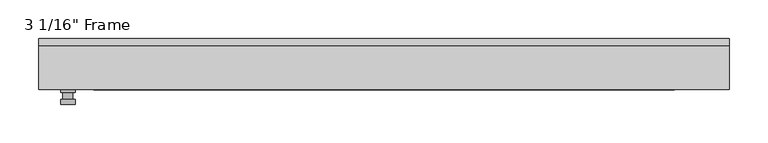
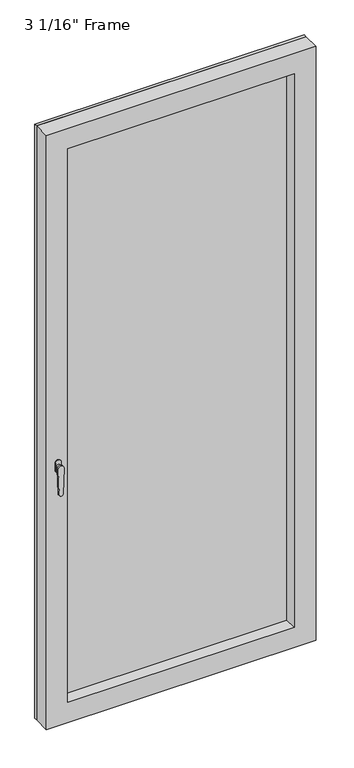
"""IFC4 building model written with IfcOpenShell, lengths in millimetres: plate geometry."""

import ifcopenshell
import ifcopenshell.guid

model = None  # the IFC model being written
_history = None  # IfcOwnerHistory: only IFC2X3 demands one
_inside = {}  # id of a spatial element -> (the spatial element, [elements in it])
_under = {}  # id of a project, library or spatial element -> (it, [spatial elements below it])
_declared = {}  # id of a project -> (the project, [libraries it declares])
_typed = {}  # id of a type object -> (the type object, [elements of that type])
_made_of = {}  # id of a material, layer set ... -> (it, [elements and type objects made of it])


def new_model(schema):
    """Start an empty IFC model of exactly this schema.

    Asked for "IFC4X3", IfcOpenShell would pick the latest addendum, in which some entities
    have other attributes; the version numbers below select the first issue.
    IFC2X3 requires an IfcOwnerHistory on every rooted entity: one is made here for all.
    """
    global model, _history
    if schema == "IFC4X3":
        model = ifcopenshell.file(schema_version=(4, 3, 0, 0))
    else:
        model = ifcopenshell.file(schema=schema)
    _inside.clear()
    _under.clear()
    _declared.clear()
    _typed.clear()
    _made_of.clear()
    _history = None
    if model.schema == "IFC2X3":
        org = make("IfcOrganization", Name="unknown")
        user = make(
            "IfcPersonAndOrganization",
            ThePerson=make("IfcPerson", FamilyName="unknown"),
            TheOrganization=org,
        )
        app = make(
            "IfcApplication",
            ApplicationDeveloper=org,
            Version="unknown",
            ApplicationFullName="unknown",
            ApplicationIdentifier="unknown",
        )
        _history = make(
            "IfcOwnerHistory",
            OwningUser=user,
            OwningApplication=app,
            ChangeAction="ADDED",
            CreationDate=0,
        )
    return model


def make(cls, **values):
    """One entity of the class cls with the attributes given. An attribute that is None is left unset."""
    return model.create_entity(
        cls, **{name: value for name, value in values.items() if value is not None}
    )


def rooted(cls, **values):
    """An entity with a GlobalId (a new one), such as an element, a storey or a relation."""
    return make(cls, GlobalId=ifcopenshell.guid.new(), OwnerHistory=_history, **values)


def si_unit(unit_type, name, prefix=None):
    """IfcSIUnit, for example si_unit("LENGTHUNIT", "METRE", prefix="MILLI")."""
    return make("IfcSIUnit", UnitType=unit_type, Prefix=prefix, Name=name)


def assignment(units):
    """IfcUnitAssignment: the units of a project."""
    return None if units is None else make("IfcUnitAssignment", Units=units)


def point(xyz):
    """IfcCartesianPoint."""
    return None if xyz is None else make("IfcCartesianPoint", Coordinates=xyz)


def direction(xyz):
    """IfcDirection."""
    return None if xyz is None else make("IfcDirection", DirectionRatios=xyz)


def frame(location, z_axis=None, x_axis=None):
    """IfcAxis2Placement3D, a coordinate frame: its origin and axes. An axis left out is left unset."""
    return make(
        "IfcAxis2Placement3D",
        Location=point(location),
        Axis=direction(z_axis),
        RefDirection=direction(x_axis),
    )


def origin():
    """The frame at (0, 0, 0) with its axes left unset."""
    return frame((0.0, 0.0, 0.0))


def place(relative_to, where):
    """IfcLocalPlacement: puts the frame where relative to a parent placement (None: the world)."""
    return make(
        "IfcLocalPlacement", PlacementRelTo=relative_to, RelativePlacement=where
    )


def context(
    kind, dimensions, precision=None, world=None, true_north=None, identifier=None
):
    """IfcGeometricRepresentationContext, for example the 3D "Model" context."""
    return make(
        "IfcGeometricRepresentationContext",
        ContextIdentifier=identifier,
        ContextType=kind,
        CoordinateSpaceDimension=dimensions,
        Precision=precision,
        WorldCoordinateSystem=world,
        TrueNorth=true_north,
    )


def project(units=None, contexts=None):
    """IfcProject with its units and contexts."""
    return rooted(
        "IfcProject",
        Name="project",
        RepresentationContexts=contexts,
        UnitsInContext=assignment(units),
    )


def spatial(cls, under=None, at=None, **own):
    """A site, building, storey or space (cls), placed at a placement, below another one or the project."""
    s = rooted(cls, ObjectPlacement=at, **own)
    if under is not None:
        _under.setdefault(under.id(), (under, []))[1].append(s)
    return s


def polyline(points):
    """IfcPolyline through the points."""
    return make("IfcPolyline", Points=[point(p) for p in points])


def circle_curve(where, radius):
    """IfcCircle in the frame where."""
    return make("IfcCircle", Position=where, Radius=radius)


def outline(outer, holes=None, kind="AREA"):
    """IfcArbitraryClosedProfileDef: a profile drawn as a closed curve; with holes, ...WithVoids."""
    if holes is None:
        return make("IfcArbitraryClosedProfileDef", ProfileType=kind, OuterCurve=outer)
    return make(
        "IfcArbitraryProfileDefWithVoids",
        ProfileType=kind,
        OuterCurve=outer,
        InnerCurves=holes,
    )


def extrude(swept, where, along, depth):
    """IfcExtrudedAreaSolid: the profile swept, set in the frame where, extruded along a direction by depth."""
    return make(
        "IfcExtrudedAreaSolid",
        SweptArea=swept,
        Position=where,
        ExtrudedDirection=direction(along),
        Depth=depth,
    )


def faces_of(points, faces, orient=None, outer=None):
    """IfcFace entities. A face is a list of loops; a loop is a list of indices into points, from 0.

    orient and outer hold one flag for each loop. By default every Orientation is true, the
    first loop of a face is its IfcFaceOuterBound and the others are IfcFaceBound.
    """
    made = []
    for i, loops in enumerate(faces):
        bounds = []
        for j, loop in enumerate(loops):
            is_outer = j == 0 if outer is None else outer[i][j]
            bounds.append(
                make(
                    "IfcFaceOuterBound" if is_outer else "IfcFaceBound",
                    Bound=make("IfcPolyLoop", Polygon=[points[k] for k in loop]),
                    Orientation=True if orient is None else orient[i][j],
                )
            )
        made.append(make("IfcFace", Bounds=bounds))
    return made


def faceted_brep(points, faces, orient=None, outer=None, voids=None):
    """IfcFacetedBrep: a solid bounded by flat faces; with voids (closed shells), ...WithVoids."""
    shared = [point(p) for p in points]
    hull = make("IfcClosedShell", CfsFaces=faces_of(shared, faces, orient, outer))
    if voids is None:
        return make("IfcFacetedBrep", Outer=hull)
    return make(
        "IfcFacetedBrepWithVoids",
        Outer=hull,
        Voids=[
            make(cls, CfsFaces=faces_of(shared, fs, o, b)) for cls, fs, o, b in voids
        ],
    )


def shape(context_of_items, identifier, shape_type, items):
    """IfcShapeRepresentation: the items that make up one representation, for example the "Body"."""
    return make(
        "IfcShapeRepresentation",
        ContextOfItems=context_of_items,
        RepresentationIdentifier=identifier,
        RepresentationType=shape_type,
        Items=items,
    )


def source(mapping_origin, context_of_items, identifier, shape_type, items):
    """IfcRepresentationMap: a shape defined once, which mapped items show again and again."""
    return make(
        "IfcRepresentationMap",
        MappingOrigin=mapping_origin,
        MappedRepresentation=shape(context_of_items, identifier, shape_type, items),
    )


def transform(
    local_origin,
    x_axis=None,
    y_axis=None,
    z_axis=None,
    scale=None,
    scale2=None,
    scale3=None,
    uniform=True,
):
    """IfcCartesianTransformationOperator3D, or its non-uniform kind. x_axis, y_axis, z_axis: its Axis1, 2, 3."""
    if uniform:
        return make(
            "IfcCartesianTransformationOperator3D",
            Axis1=direction(x_axis),
            Axis2=direction(y_axis),
            LocalOrigin=point(local_origin),
            Scale=scale,
            Axis3=direction(z_axis),
        )
    return make(
        "IfcCartesianTransformationOperator3DnonUniform",
        Axis1=direction(x_axis),
        Axis2=direction(y_axis),
        LocalOrigin=point(local_origin),
        Scale=scale,
        Axis3=direction(z_axis),
        Scale2=scale2,
        Scale3=scale3,
    )


def mapped(mapping_source, mapping_target):
    """IfcMappedItem: shows the shape of a source again, moved by a transform."""
    return make(
        "IfcMappedItem", MappingSource=mapping_source, MappingTarget=mapping_target
    )


def made_of(thing, what):
    """Note that an element or type object is made of a material, layer set ...; save() writes the relation."""
    if what is not None:
        _made_of.setdefault(what.id(), (what, []))[1].append(thing)
    return thing


def element(
    cls,
    number,
    at=None,
    inside=None,
    cuts=None,
    type_object=None,
    material=None,
    context=None,
    identifier="Body",
    shape_type=None,
    held_by="IfcProductDefinitionShape",
    body=None,
    shapes=None,
    **own,
):
    """One element of the class cls, such as IfcWall. Its Tag is "e" and its number.

    at: its placement. inside: the storey or other place that contains it. cuts: it is an
    opening in that element (IfcRelVoidsElement). A single representation is given by context,
    identifier, shape_type and body (its items); several are given by shapes. held_by: the class
    of the entity that holds the representations. save() writes the other relations.
    """
    e = rooted(cls, Tag="e%d" % number, ObjectPlacement=at, **own)
    if body is not None:
        shapes = [shape(context, identifier, shape_type, body)]
    if shapes is not None:
        e.Representation = make(held_by, Representations=shapes)
    if inside is not None:
        _inside.setdefault(inside.id(), (inside, []))[1].append(e)
    if cuts is not None:
        rooted(
            "IfcRelVoidsElement", RelatingBuildingElement=cuts, RelatedOpeningElement=e
        )
    if type_object is not None:
        _typed.setdefault(type_object.id(), (type_object, []))[1].append(e)
    return made_of(e, material)


def aggregate(whole, parts):
    """IfcRelAggregates: a whole, such as a stair, and the parts it consists of."""
    return rooted("IfcRelAggregates", RelatingObject=whole, RelatedObjects=parts)


def save(model, path):
    """Write the relations noted so far, then the file.

    IfcRelAggregates (storeys below a building ...), IfcRelContainedInSpatialStructure (elements
    in a storey), IfcRelDefinesByType, IfcRelAssociatesMaterial and IfcRelDeclares: one each for
    every whole, place, type object, material and project.
    """
    for whole, parts in _under.values():
        aggregate(whole, parts)
    for where, things in _inside.values():
        rooted(
            "IfcRelContainedInSpatialStructure",
            RelatedElements=things,
            RelatingStructure=where,
        )
    for kind, things in _typed.values():
        rooted("IfcRelDefinesByType", RelatedObjects=things, RelatingType=kind)
    for what, things in _made_of.values():
        rooted("IfcRelAssociatesMaterial", RelatedObjects=things, RelatingMaterial=what)
    for by, libraries in _declared.values():
        rooted("IfcRelDeclares", RelatingContext=by, RelatedDefinitions=libraries)
    model.write(path)


def plane_surface(at):
    """IfcPlane: the flat surface through the origin of the frame at, square to its z axis."""
    return make("IfcPlane", Position=at)


def cylinder_surface(at, radius):
    """IfcCylindricalSurface: all points at the distance radius from the z axis of the frame at."""
    return make("IfcCylindricalSurface", Position=at, Radius=radius)


def advanced_brep(points, edges, surfaces, faces):
    """IfcAdvancedBrep: a solid bounded by faces that lie on surfaces and meet in shared edges.

    An edge is (start, end): straight between two places in points (the first is 0);
    or (start, end, curve); or (start, end, curve, False) where it runs against its curve.
    A face is (place in surfaces, loops), or (place, loops, False) where it looks against
    its surface's normal. A loop lists edges by number (the first is 1), with a minus sign
    where the edge is run from its end to its start. The first loop is the outer one.
    """
    corners = [point(p) for p in points]
    vertices = [make("IfcVertexPoint", VertexGeometry=c) for c in corners]
    made = []
    for start, end, *more in edges:
        made.append(
            make(
                "IfcEdgeCurve",
                EdgeStart=vertices[start],
                EdgeEnd=vertices[end],
                EdgeGeometry=more[0] if more else make("IfcPolyline", Points=[corners[start], corners[end]]),
                SameSense=more[1] if len(more) > 1 else True,
            )
        )
    hull = []
    for where, loops, *sense in faces:
        bounds = []
        for j, loop in enumerate(loops):
            ring = [make("IfcOrientedEdge", EdgeElement=made[abs(k) - 1], Orientation=k > 0) for k in loop]
            bounds.append(
                make(
                    "IfcFaceOuterBound" if j == 0 else "IfcFaceBound",
                    Bound=make("IfcEdgeLoop", EdgeList=ring),
                    Orientation=True,
                )
            )
        hull.append(make("IfcAdvancedFace", Bounds=bounds, FaceSurface=surfaces[where], SameSense=sense[0] if sense else True))
    return make("IfcAdvancedBrep", Outer=make("IfcClosedShell", CfsFaces=hull))


def plate_8ac7ae1a(model_context):
    return source(origin(), model_context, "Body", "SolidModel", [
        advanced_brep(
        [(-400.685, -33.3375, 927.1), (-400.685, -33.3375, 901.7), (-419.735, -33.3375, 901.7), (-419.735, -33.3375, 927.1), (-403.86, -46.0375, 914.4), (-416.56, -46.0375, 914.4), (-416.56, -36.5125, 914.4), (-403.86, -36.5125, 914.4), (-400.685, -46.0375, 914.4), (-403.8640356, -46.0375, 825.2736467), (-416.5559644, -46.0375, 825.2736467), (-419.735, -46.0375, 914.4), (-400.685, -52.3875, 914.4), (-419.735, -52.3875, 914.4), (-416.5559644, -52.3875, 825.2736467), (-403.8640356, -52.3875, 825.2736467), (-400.685, -36.5125, 927.1), (-419.735, -36.5125, 927.1), (-419.735, -36.5125, 901.7), (-400.685, -36.5125, 901.7)],
        [
            (0, 1),
            (1, 2, circle_curve(frame((-410.21, -33.3375, 901.7), z_axis=(0.0, 1.0, 0.0), x_axis=(-1.0, 0.0, 0.0)), 9.525)),
            (2, 3),
            (3, 0, circle_curve(frame((-410.21, -33.3375, 927.1), z_axis=(0.0, 1.0, 0.0), x_axis=(-1.0, 0.0, 0.0)), 9.525)),
            (4, 5, circle_curve(frame((-410.21, -46.0375, 914.4), z_axis=(0.0, 1.0, 0.0), x_axis=(-1.0, 0.0, 0.0)), 6.35)),
            (5, 6),
            (6, 7, circle_curve(frame((-410.21, -36.5125, 914.4), z_axis=(0.0, -1.0, 0.0), x_axis=(-1.0, 0.0, 0.0)), 6.35)),
            (7, 4),
            (5, 4, circle_curve(frame((-410.21, -46.0375, 914.4), z_axis=(0.0, 1.0, 0.0), x_axis=(-1.0, 0.0, 0.0)), 6.35)),
            (7, 6, circle_curve(frame((-410.21, -36.5125, 914.4), z_axis=(0.0, -1.0, 0.0), x_axis=(-1.0, 0.0, 0.0)), 6.35)),
            (8, 9),
            (9, 10, circle_curve(frame((-410.21, -46.0375, 825.5), z_axis=(0.0, 1.0, 0.0), x_axis=(-1.0, 0.0, 0.0)), 6.35)),
            (10, 11),
            (11, 8, circle_curve(frame((-410.21, -46.0375, 914.4), z_axis=(0.0, 1.0, 0.0), x_axis=(-1.0, 0.0, 0.0)), 9.525)),
            (12, 13, circle_curve(frame((-410.21, -52.3875, 914.4), z_axis=(0.0, -1.0, 0.0), x_axis=(-1.0, 0.0, 0.0)), 9.525)),
            (13, 14),
            (14, 15, circle_curve(frame((-410.21, -52.3875, 825.5), z_axis=(0.0, -1.0, 0.0), x_axis=(-1.0, 0.0, 0.0)), 6.35)),
            (15, 12),
            (8, 12),
            (15, 9),
            (14, 10),
            (13, 11),
            (16, 17, circle_curve(frame((-410.21, -36.5125, 927.1), z_axis=(0.0, -1.0, 0.0), x_axis=(-1.0, 0.0, 0.0)), 9.525)),
            (17, 18),
            (18, 19, circle_curve(frame((-410.21, -36.5125, 901.7), z_axis=(0.0, -1.0, 0.0), x_axis=(-1.0, 0.0, 0.0)), 9.525)),
            (19, 16),
            (0, 16),
            (19, 1),
            (18, 2),
            (17, 3),
        ],
        [
            plane_surface(frame((-416.56, -33.3375, 914.4), z_axis=(0.0, 1.0, 0.0), x_axis=(0.0, 0.0, 1.0))),
            cylinder_surface(frame((-410.21, -46.0375, 914.4), z_axis=(0.0, 1.0, 0.0), x_axis=(-1.0, 0.0, 0.0)), 6.35),
            plane_surface(frame((-400.685, -46.0375, 914.4), z_axis=(0.0, 1.0000000000000002, 0.0), x_axis=(-0.03564619348186888, 0.0, -0.9993644724975235))),
            plane_surface(frame((-400.685, -52.3875, 914.4), z_axis=(0.0, -1.0000000000000002, 0.0), x_axis=(0.03564619348186888, 0.0, 0.9993644724975235))),
            plane_surface(frame((-400.685, -46.0375, 914.4), z_axis=(0.9993644724975235, 0.0, -0.03564619348186888), x_axis=(0.0, -1.0, 0.0))),
            cylinder_surface(frame((-410.21, -52.3875, 825.5), z_axis=(0.0, 1.0, 0.0), x_axis=(-1.0, 0.0, 0.0)), 6.35),
            plane_surface(frame((-416.5559644, -46.0375, 825.2736467), z_axis=(-0.9993644724975228, 0.0, -0.03564619348188612), x_axis=(0.0, -1.0, 0.0))),
            cylinder_surface(frame((-410.21, -52.3875, 914.4), z_axis=(0.0, 1.0, 0.0), x_axis=(-1.0, 0.0, 0.0)), 9.525),
            plane_surface(frame((-400.685, -36.5125, 901.7), z_axis=(0.0, -1.0, 0.0), x_axis=(0.0, 0.0, 1.0))),
            plane_surface(frame((-400.685, -33.3375, 927.1), z_axis=(1.0, 0.0, 0.0), x_axis=(0.0, -1.0, 0.0))),
            cylinder_surface(frame((-410.21, -36.5125, 901.7), z_axis=(0.0, 1.0, 0.0), x_axis=(-1.0, 0.0, 0.0)), 9.525),
            plane_surface(frame((-419.735, -33.3375, 901.7), z_axis=(-1.0, 0.0, 0.0), x_axis=(0.0, -1.0, 0.0))),
            cylinder_surface(frame((-410.21, -36.5125, 927.1), z_axis=(0.0, 1.0, 0.0), x_axis=(-1.0, 0.0, 0.0)), 9.525),
        ],
        [
            (0, [[1, 2, 3, 4]]),
            (1, [[5, 6, 7, 8]]),
            (1, [[9, -8, 10, -6]]),
            (2, [[11, 12, 13, 14], [-5, -9]]),
            (3, [[15, 16, 17, 18]]),
            (4, [[-11, 19, -18, 20]]),
            (5, [[-12, -20, -17, 21]]),
            (6, [[-13, -21, -16, 22]]),
            (7, [[-14, -22, -15, -19]]),
            (8, [[23, 24, 25, 26], [-7, -10]]),
            (9, [[-1, 27, -26, 28]]),
            (10, [[-2, -28, -25, 29]]),
            (11, [[-3, -29, -24, 30]]),
            (12, [[-4, -30, -23, -27]]),
        ],
    ),
        extrude(outline(polyline([(0.0, -448.31), (0.0, 448.31), (2087.5625, 448.31), (2087.5625, -448.31), (0.0, -448.31)]), holes=[polyline([(2009.775, -370.5225), (2009.775, 370.5225), (77.7875, 370.5225), (77.7875, -370.5225), (2009.775, -370.5225)])]), frame((0.0, 23.8125, 0.0), z_axis=(0.0, 1.0, 0.0), x_axis=(0.0, 0.0, 1.0)), (0.0, 0.0, 1.0), 9.525),
        faceted_brep([(-448.31, -33.3375, 0.0), (-448.31, 23.8125, 0.0), (448.31, 23.8125, 0.0), (448.31, -33.3375, 0.0), (-448.31, -33.3375, 2087.5625), (-448.31, 23.8125, 2087.5625), (448.31, 23.8125, 2087.5625), (-383.2225, 23.8125, 2022.475), (-383.2225, 23.8125, 65.0875), (383.2225, 23.8125, 65.0875), (383.2225, 23.8125, 2022.475), (-383.2225, 0.0, 2022.475), (-383.2225, 0.0, 65.0875), (383.2225, 0.0, 2022.475), (383.2225, 0.0, 65.0875), (-370.5225, 0.0, 2009.775), (-370.5225, 0.0, 77.7875), (370.5225, 0.0, 77.7875), (370.5225, 0.0, 2009.775), (-376.8725, -33.3375, 2016.125), (-376.8725, -33.3375, 71.4375), (448.31, -33.3375, 2087.5625), (376.8725, -33.3375, 2016.125), (376.8725, -33.3375, 71.4375)], [[[0, 1, 2, 3]], [[1, 0, 4, 5]], [[2, 1, 5, 6], [7, 8, 9, 10]], [[7, 11, 12, 8]], [[11, 13, 14, 12], [15, 16, 17, 18]], [[15, 19, 20, 16]], [[4, 0, 3, 21], [22, 23, 20, 19]], [[5, 4, 21, 6]], [[7, 10, 13, 11]], [[15, 18, 22, 19]], [[2, 6, 21, 3]], [[14, 13, 10, 9]], [[22, 18, 17, 23]], [[20, 23, 17, 16]], [[9, 8, 12, 14]]]),
        extrude(outline(polyline([(383.2225, 0.0), (-383.2225, 0.0), (-383.2225, 23.8125), (383.2225, 23.8125), (383.2225, 0.0)])), frame((0.0, 0.0, 65.0875), z_axis=(0.0, 0.0, 1.0), x_axis=(1.0, 0.0, 0.0)), (0.0, 0.0, 1.0), 1957.3875),
    ])


if __name__ == "__main__":
    model = new_model("IFC4")
    model_context = context("Model", 3, world=origin())
    ifc_project = project(units=[si_unit("LENGTHUNIT", "METRE", prefix="MILLI")], contexts=[model_context])
    site = spatial("IfcSite", under=ifc_project)
    building = spatial("IfcBuilding", under=site)
    placement = place(None, origin())
    plate_shape = plate_8ac7ae1a(model_context)
    element("IfcPlate", 1, ObjectType="3 1/16\" Frame", at=placement, inside=building, context=model_context, shape_type="MappedRepresentation", body=[
        mapped(plate_shape, transform((0.0, 0.0, 0.0), x_axis=(1.0, 0.0, 0.0), y_axis=(0.0, 1.0, 0.0), z_axis=(0.0, 0.0, 1.0))),
    ])
    save(model, "model.ifc")
